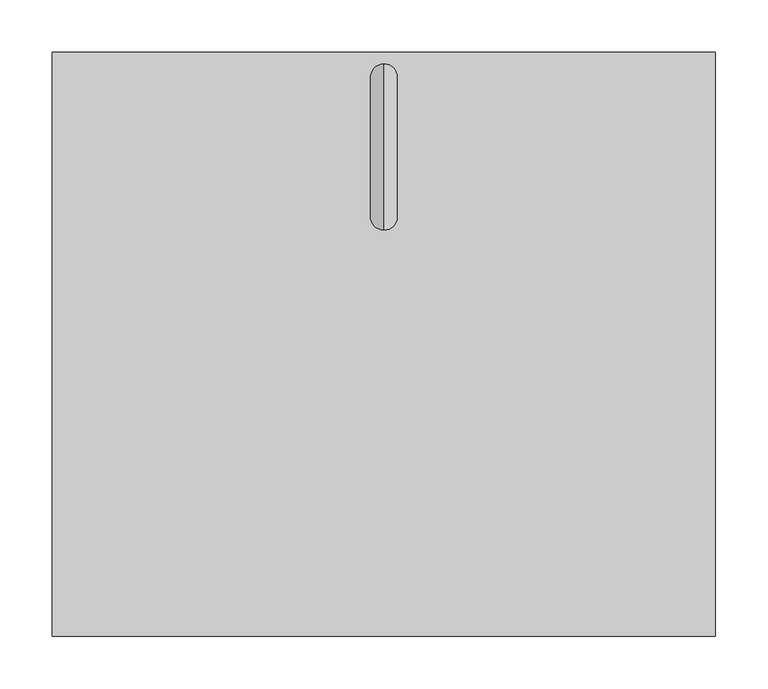
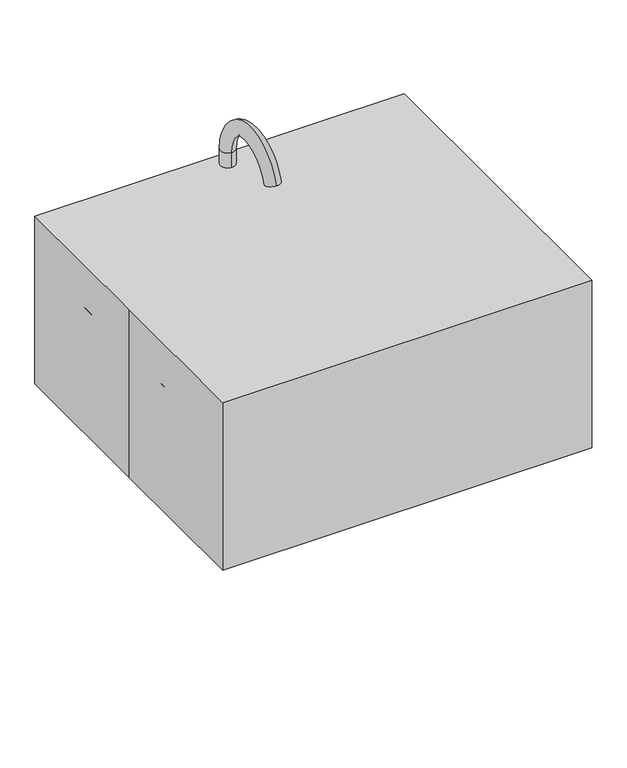
"""IFC4 building model written with IfcOpenShell, lengths in millimetres: proxy geometry."""

import ifcopenshell
import ifcopenshell.guid

model = None  # the IFC model being written
_history = None  # IfcOwnerHistory: only IFC2X3 demands one
_inside = {}  # id of a spatial element -> (the spatial element, [elements in it])
_under = {}  # id of a project, library or spatial element -> (it, [spatial elements below it])
_declared = {}  # id of a project -> (the project, [libraries it declares])
_typed = {}  # id of a type object -> (the type object, [elements of that type])
_made_of = {}  # id of a material, layer set ... -> (it, [elements and type objects made of it])


def new_model(schema):
    """Start an empty IFC model of exactly this schema.

    Asked for "IFC4X3", IfcOpenShell would pick the latest addendum, in which some entities
    have other attributes; the version numbers below select the first issue.
    IFC2X3 requires an IfcOwnerHistory on every rooted entity: one is made here for all.
    """
    global model, _history
    if schema == "IFC4X3":
        model = ifcopenshell.file(schema_version=(4, 3, 0, 0))
    else:
        model = ifcopenshell.file(schema=schema)
    _inside.clear()
    _under.clear()
    _declared.clear()
    _typed.clear()
    _made_of.clear()
    _history = None
    if model.schema == "IFC2X3":
        org = make("IfcOrganization", Name="unknown")
        user = make(
            "IfcPersonAndOrganization",
            ThePerson=make("IfcPerson", FamilyName="unknown"),
            TheOrganization=org,
        )
        app = make(
            "IfcApplication",
            ApplicationDeveloper=org,
            Version="unknown",
            ApplicationFullName="unknown",
            ApplicationIdentifier="unknown",
        )
        _history = make(
            "IfcOwnerHistory",
            OwningUser=user,
            OwningApplication=app,
            ChangeAction="ADDED",
            CreationDate=0,
        )
    return model


def make(cls, **values):
    """One entity of the class cls with the attributes given. An attribute that is None is left unset."""
    return model.create_entity(
        cls, **{name: value for name, value in values.items() if value is not None}
    )


def rooted(cls, **values):
    """An entity with a GlobalId (a new one), such as an element, a storey or a relation."""
    return make(cls, GlobalId=ifcopenshell.guid.new(), OwnerHistory=_history, **values)


def si_unit(unit_type, name, prefix=None):
    """IfcSIUnit, for example si_unit("LENGTHUNIT", "METRE", prefix="MILLI")."""
    return make("IfcSIUnit", UnitType=unit_type, Prefix=prefix, Name=name)


def assignment(units):
    """IfcUnitAssignment: the units of a project."""
    return None if units is None else make("IfcUnitAssignment", Units=units)


def point(xyz):
    """IfcCartesianPoint."""
    return None if xyz is None else make("IfcCartesianPoint", Coordinates=xyz)


def direction(xyz):
    """IfcDirection."""
    return None if xyz is None else make("IfcDirection", DirectionRatios=xyz)


def frame(location, z_axis=None, x_axis=None):
    """IfcAxis2Placement3D, a coordinate frame: its origin and axes. An axis left out is left unset."""
    return make(
        "IfcAxis2Placement3D",
        Location=point(location),
        Axis=direction(z_axis),
        RefDirection=direction(x_axis),
    )


def frame_2d(location, x_axis=None):
    """IfcAxis2Placement2D, a coordinate frame in the plane: its origin and x axis."""
    return make(
        "IfcAxis2Placement2D", Location=point(location), RefDirection=direction(x_axis)
    )


def origin():
    """The frame at (0, 0, 0) with its axes left unset."""
    return frame((0.0, 0.0, 0.0))


def origin_with_axes():
    """The frame at (0, 0, 0) with the z axis (0, 0, 1) and the x axis (1, 0, 0) written out."""
    return frame((0.0, 0.0, 0.0), z_axis=(0.0, 0.0, 1.0), x_axis=(1.0, 0.0, 0.0))


def place(relative_to, where):
    """IfcLocalPlacement: puts the frame where relative to a parent placement (None: the world)."""
    return make(
        "IfcLocalPlacement", PlacementRelTo=relative_to, RelativePlacement=where
    )


def context(
    kind, dimensions, precision=None, world=None, true_north=None, identifier=None
):
    """IfcGeometricRepresentationContext, for example the 3D "Model" context."""
    return make(
        "IfcGeometricRepresentationContext",
        ContextIdentifier=identifier,
        ContextType=kind,
        CoordinateSpaceDimension=dimensions,
        Precision=precision,
        WorldCoordinateSystem=world,
        TrueNorth=true_north,
    )


def project(units=None, contexts=None):
    """IfcProject with its units and contexts."""
    return rooted(
        "IfcProject",
        Name="project",
        RepresentationContexts=contexts,
        UnitsInContext=assignment(units),
    )


def spatial(cls, under=None, at=None, **own):
    """A site, building, storey or space (cls), placed at a placement, below another one or the project."""
    s = rooted(cls, ObjectPlacement=at, **own)
    if under is not None:
        _under.setdefault(under.id(), (under, []))[1].append(s)
    return s


def polyline(points):
    """IfcPolyline through the points."""
    return make("IfcPolyline", Points=[point(p) for p in points])


def circle_curve(where, radius):
    """IfcCircle in the frame where."""
    return make("IfcCircle", Position=where, Radius=radius)


def ellipse_curve(where, semi_axis1, semi_axis2):
    """IfcEllipse in the frame where."""
    return make(
        "IfcEllipse", Position=where, SemiAxis1=semi_axis1, SemiAxis2=semi_axis2
    )


def trimmed(basis, trim1, trim2, sense, master):
    """IfcTrimmedCurve: the piece of a basis curve between two trims."""
    return make(
        "IfcTrimmedCurve",
        BasisCurve=basis,
        Trim1=trim1,
        Trim2=trim2,
        SenseAgreement=sense,
        MasterRepresentation=master,
    )


def segment(curve, same_sense, transition):
    """IfcCompositeCurveSegment."""
    return make(
        "IfcCompositeCurveSegment",
        Transition=transition,
        SameSense=same_sense,
        ParentCurve=curve,
    )


def composite_curve(segments, self_intersect=None):
    """IfcCompositeCurve: segments joined end to end."""
    return make("IfcCompositeCurve", Segments=segments, SelfIntersect=self_intersect)


def outline(outer, holes=None, kind="AREA"):
    """IfcArbitraryClosedProfileDef: a profile drawn as a closed curve; with holes, ...WithVoids."""
    if holes is None:
        return make("IfcArbitraryClosedProfileDef", ProfileType=kind, OuterCurve=outer)
    return make(
        "IfcArbitraryProfileDefWithVoids",
        ProfileType=kind,
        OuterCurve=outer,
        InnerCurves=holes,
    )


def extrude(swept, where, along, depth):
    """IfcExtrudedAreaSolid: the profile swept, set in the frame where, extruded along a direction by depth."""
    return make(
        "IfcExtrudedAreaSolid",
        SweptArea=swept,
        Position=where,
        ExtrudedDirection=direction(along),
        Depth=depth,
    )


def shape(context_of_items, identifier, shape_type, items):
    """IfcShapeRepresentation: the items that make up one representation, for example the "Body"."""
    return make(
        "IfcShapeRepresentation",
        ContextOfItems=context_of_items,
        RepresentationIdentifier=identifier,
        RepresentationType=shape_type,
        Items=items,
    )


def source(mapping_origin, context_of_items, identifier, shape_type, items):
    """IfcRepresentationMap: a shape defined once, which mapped items show again and again."""
    return make(
        "IfcRepresentationMap",
        MappingOrigin=mapping_origin,
        MappedRepresentation=shape(context_of_items, identifier, shape_type, items),
    )


def transform(
    local_origin,
    x_axis=None,
    y_axis=None,
    z_axis=None,
    scale=None,
    scale2=None,
    scale3=None,
    uniform=True,
):
    """IfcCartesianTransformationOperator3D, or its non-uniform kind. x_axis, y_axis, z_axis: its Axis1, 2, 3."""
    if uniform:
        return make(
            "IfcCartesianTransformationOperator3D",
            Axis1=direction(x_axis),
            Axis2=direction(y_axis),
            LocalOrigin=point(local_origin),
            Scale=scale,
            Axis3=direction(z_axis),
        )
    return make(
        "IfcCartesianTransformationOperator3DnonUniform",
        Axis1=direction(x_axis),
        Axis2=direction(y_axis),
        LocalOrigin=point(local_origin),
        Scale=scale,
        Axis3=direction(z_axis),
        Scale2=scale2,
        Scale3=scale3,
    )


def mapped(mapping_source, mapping_target):
    """IfcMappedItem: shows the shape of a source again, moved by a transform."""
    return make(
        "IfcMappedItem", MappingSource=mapping_source, MappingTarget=mapping_target
    )


def made_of(thing, what):
    """Note that an element or type object is made of a material, layer set ...; save() writes the relation."""
    if what is not None:
        _made_of.setdefault(what.id(), (what, []))[1].append(thing)
    return thing


def element(
    cls,
    number,
    at=None,
    inside=None,
    cuts=None,
    type_object=None,
    material=None,
    context=None,
    identifier="Body",
    shape_type=None,
    held_by="IfcProductDefinitionShape",
    body=None,
    shapes=None,
    **own,
):
    """One element of the class cls, such as IfcWall. Its Tag is "e" and its number.

    at: its placement. inside: the storey or other place that contains it. cuts: it is an
    opening in that element (IfcRelVoidsElement). A single representation is given by context,
    identifier, shape_type and body (its items); several are given by shapes. held_by: the class
    of the entity that holds the representations. save() writes the other relations.
    """
    e = rooted(cls, Tag="e%d" % number, ObjectPlacement=at, **own)
    if body is not None:
        shapes = [shape(context, identifier, shape_type, body)]
    if shapes is not None:
        e.Representation = make(held_by, Representations=shapes)
    if inside is not None:
        _inside.setdefault(inside.id(), (inside, []))[1].append(e)
    if cuts is not None:
        rooted(
            "IfcRelVoidsElement", RelatingBuildingElement=cuts, RelatedOpeningElement=e
        )
    if type_object is not None:
        _typed.setdefault(type_object.id(), (type_object, []))[1].append(e)
    return made_of(e, material)


def aggregate(whole, parts):
    """IfcRelAggregates: a whole, such as a stair, and the parts it consists of."""
    return rooted("IfcRelAggregates", RelatingObject=whole, RelatedObjects=parts)


def save(model, path):
    """Write the relations noted so far, then the file.

    IfcRelAggregates (storeys below a building ...), IfcRelContainedInSpatialStructure (elements
    in a storey), IfcRelDefinesByType, IfcRelAssociatesMaterial and IfcRelDeclares: one each for
    every whole, place, type object, material and project.
    """
    for whole, parts in _under.values():
        aggregate(whole, parts)
    for where, things in _inside.values():
        rooted(
            "IfcRelContainedInSpatialStructure",
            RelatedElements=things,
            RelatingStructure=where,
        )
    for kind, things in _typed.values():
        rooted("IfcRelDefinesByType", RelatedObjects=things, RelatingType=kind)
    for what, things in _made_of.values():
        rooted("IfcRelAssociatesMaterial", RelatedObjects=things, RelatingMaterial=what)
    for by, libraries in _declared.values():
        rooted("IfcRelDeclares", RelatingContext=by, RelatedDefinitions=libraries)
    model.write(path)


def plane_surface(at):
    """IfcPlane: the flat surface through the origin of the frame at, square to its z axis."""
    return make("IfcPlane", Position=at)


def cylinder_surface(at, radius):
    """IfcCylindricalSurface: all points at the distance radius from the z axis of the frame at."""
    return make("IfcCylindricalSurface", Position=at, Radius=radius)


def revolved_surface(curve, axis_point, axis_direction):
    """IfcSurfaceOfRevolution: the curve turned about the line through axis_point along axis_direction."""
    return make(
        "IfcSurfaceOfRevolution",
        SweptCurve=make("IfcArbitraryOpenProfileDef", ProfileType="CURVE", Curve=curve),
        AxisPosition=make("IfcAxis1Placement", Location=point(axis_point), Axis=direction(axis_direction)),
    )


def advanced_brep(points, edges, surfaces, faces):
    """IfcAdvancedBrep: a solid bounded by faces that lie on surfaces and meet in shared edges.

    An edge is (start, end): straight between two places in points (the first is 0);
    or (start, end, curve); or (start, end, curve, False) where it runs against its curve.
    A face is (place in surfaces, loops), or (place, loops, False) where it looks against
    its surface's normal. A loop lists edges by number (the first is 1), with a minus sign
    where the edge is run from its end to its start. The first loop is the outer one.
    """
    corners = [point(p) for p in points]
    vertices = [make("IfcVertexPoint", VertexGeometry=c) for c in corners]
    made = []
    for start, end, *more in edges:
        made.append(
            make(
                "IfcEdgeCurve",
                EdgeStart=vertices[start],
                EdgeEnd=vertices[end],
                EdgeGeometry=more[0] if more else make("IfcPolyline", Points=[corners[start], corners[end]]),
                SameSense=more[1] if len(more) > 1 else True,
            )
        )
    hull = []
    for where, loops, *sense in faces:
        bounds = []
        for j, loop in enumerate(loops):
            ring = [make("IfcOrientedEdge", EdgeElement=made[abs(k) - 1], Orientation=k > 0) for k in loop]
            bounds.append(
                make(
                    "IfcFaceOuterBound" if j == 0 else "IfcFaceBound",
                    Bound=make("IfcEdgeLoop", EdgeList=ring),
                    Orientation=True,
                )
            )
        hull.append(make("IfcAdvancedFace", Bounds=bounds, FaceSurface=surfaces[where], SameSense=sense[0] if sense else True))
    return make("IfcAdvancedBrep", Outer=make("IfcClosedShell", CfsFaces=hull))


def specialty_equipment_51cc2adb(model_context):
    return source(origin(), model_context, "Body", "SolidModel", [
        extrude(outline(composite_curve([segment(trimmed(circle_curve(frame_2d((214.5947066, 167.4153613)), 25.4), [point((214.5947066, 192.8153613))], [point((239.9947066, 167.4153613))], False, "CARTESIAN"), True, "CONTINUOUS"), segment(polyline([(239.9947066, 167.4153613), (239.9947066, -178.6596387)]), True, "CONTINUOUS"), segment(trimmed(circle_curve(frame_2d((214.5947066, -178.6596387)), 25.4), [point((239.9947066, -178.6596387))], [point((214.5947066, -204.0596387))], False, "CARTESIAN"), True, "CONTINUOUS"), segment(polyline([(214.5947066, -204.0596387), (-218.4680234, -204.0596387)]), True, "CONTINUOUS"), segment(trimmed(circle_curve(frame_2d((-218.4680234, -178.6596387)), 25.4), [point((-218.4680234, -204.0596387))], [point((-243.8680234, -178.6596387))], False, "CARTESIAN"), True, "CONTINUOUS"), segment(polyline([(-243.8680234, -178.6596387), (-243.8680234, 167.4153613)]), True, "CONTINUOUS"), segment(trimmed(circle_curve(frame_2d((-218.4680234, 167.4153613)), 25.4), [point((-243.8680234, 167.4153613))], [point((-218.4680234, 192.8153613))], False, "CARTESIAN"), True, "CONTINUOUS"), segment(polyline([(-218.4680234, 192.8153613), (214.5947066, 192.8153613)]), True, "CONTINUOUS")], self_intersect=False), holes=[composite_curve([segment(trimmed(circle_curve(frame_2d((-1.3052934, -0.8596387)), 25.4), [point((-26.7052934, -0.8596387))], [point((24.0947066, -0.8596387))], True, "CARTESIAN"), True, "CONTINUOUS"), segment(trimmed(circle_curve(frame_2d((-1.3052934, -0.8596387)), 25.4), [point((24.0947066, -0.8596387))], [point((-26.7052934, -0.8596387))], True, "CARTESIAN"), True, "CONTINUOUS")], self_intersect=False)]), origin_with_axes(), (0.0, 0.0, 1.0), 9.525),
        advanced_brep(
        [(-18.1788372, 75.1095985, -3.8711818), (19.9211628, 75.1095985, -3.8711818), (19.9211628, 75.1095985, -213.4211818), (-18.1788372, 75.1095985, -213.4211818), (-18.1788372, 138.6095985, -276.9211818), (19.9211628, 138.6095985, -276.9211818), (-18.1788372, 202.1095985, -213.4211818), (19.9211628, 202.1095985, -213.4211818), (-18.1788372, 265.6095985, -149.9211818), (19.9211628, 265.6095985, -149.9211818), (-18.1788372, 278.3095985, -149.9211818), (19.9211628, 278.3095985, -149.9211818)],
        [
            (0, 1, circle_curve(frame((0.8711628, 75.1095985, -3.8711818), z_axis=(0.0, 0.0, 1.0), x_axis=(1.0, 0.0, 0.0)), 19.05)),
            (1, 0, circle_curve(frame((0.8711628, 75.1095985, -3.8711818), z_axis=(0.0, 0.0, 1.0), x_axis=(1.0, 0.0, 0.0)), 19.05)),
            (1, 2),
            (2, 3, circle_curve(frame((0.8711628, 75.1095985, -213.4211818), z_axis=(0.0, 0.0, 1.0), x_axis=(1.0, 0.0, 0.0)), 19.05)),
            (3, 0),
            (3, 2, circle_curve(frame((0.8711628, 75.1095985, -213.4211818), z_axis=(0.0, 0.0, 1.0), x_axis=(1.0, 0.0, 0.0)), 19.05)),
            (4, 3, circle_curve(frame((-18.1788372, 138.6095985, -213.4211818), z_axis=(-1.0, 0.0, 0.0), x_axis=(0.0, -1.0, 0.0)), 63.5)),
            (2, 5, circle_curve(frame((19.9211628, 138.6095985, -213.4211818), z_axis=(1.0, 0.0, 0.0), x_axis=(0.0, -1.0, 0.0)), 63.5)),
            (5, 4, circle_curve(frame((0.8711628, 138.6095985, -276.9211818), z_axis=(0.0, -1.0, 0.0), x_axis=(1.0, 0.0, 0.0)), 19.05)),
            (4, 5, circle_curve(frame((0.8711628, 138.6095985, -276.9211818), z_axis=(0.0, -1.0, 0.0), x_axis=(1.0, 0.0, 0.0)), 19.05)),
            (6, 4, circle_curve(frame((-18.1788372, 138.6095985, -213.4211818), z_axis=(-1.0, 0.0, 0.0), x_axis=(0.0, 0.0, -1.0)), 63.5)),
            (5, 7, circle_curve(frame((19.9211628, 138.6095985, -213.4211818), z_axis=(1.0, 0.0, 0.0), x_axis=(0.0, 0.0, -1.0)), 63.5)),
            (7, 6, circle_curve(frame((0.8711628, 202.1095985, -213.4211818), z_axis=(0.0, 0.0, -1.0), x_axis=(1.0, 0.0, 0.0)), 19.05)),
            (6, 7, circle_curve(frame((0.8711628, 202.1095985, -213.4211818), z_axis=(0.0, 0.0, -1.0), x_axis=(1.0, 0.0, 0.0)), 19.05)),
            (8, 6, circle_curve(frame((-18.1788372, 265.6095985, -213.4211818), z_axis=(1.0, 0.0, 0.0), x_axis=(0.0, -1.0, 0.0)), 63.5)),
            (7, 9, circle_curve(frame((19.9211628, 265.6095985, -213.4211818), z_axis=(-1.0, 0.0, 0.0), x_axis=(0.0, -1.0, 0.0)), 63.5)),
            (9, 8, circle_curve(frame((0.8711628, 265.6095985, -149.9211818), z_axis=(0.0, -1.0, 0.0), x_axis=(1.0, 0.0, 0.0)), 19.05)),
            (8, 9, circle_curve(frame((0.8711628, 265.6095985, -149.9211818), z_axis=(0.0, -1.0, 0.0), x_axis=(1.0, 0.0, 0.0)), 19.05)),
            (10, 11, circle_curve(frame((0.8711628, 278.3095985, -149.9211818), z_axis=(0.0, 1.0, 0.0), x_axis=(1.0, 0.0, 0.0)), 19.05)),
            (11, 10, circle_curve(frame((0.8711628, 278.3095985, -149.9211818), z_axis=(0.0, 1.0, 0.0), x_axis=(1.0, 0.0, 0.0)), 19.05)),
            (9, 11),
            (10, 8),
        ],
        [
            plane_surface(frame((0.8711628, 75.1095985, -3.8711818), z_axis=(0.0, 0.0, 1.0), x_axis=(1.0, 0.0, 0.0))),
            cylinder_surface(frame((0.8711628, 75.1095985, -3.8711818), z_axis=(0.0, 0.0, 1.0), x_axis=(1.0, 0.0, 0.0)), 19.05),
            revolved_surface(trimmed(ellipse_curve(frame((0.8711628, 75.1095985, -213.4211818), z_axis=(0.0, 0.0, 1.0), x_axis=(1.0, 0.0, 0.0)), 19.05, 19.05), [point((19.9211628, 75.1095985, -213.4211818))], [point((-18.1788372, 75.1095985, -213.4211818))], True, "CARTESIAN"), (0.8711628, 138.6095985, -213.4211818), (1.0, 0.0, 0.0)),
            revolved_surface(trimmed(ellipse_curve(frame((0.8711628, 75.1095985, -213.4211818), z_axis=(0.0, 0.0, 1.0), x_axis=(1.0, 0.0, 0.0)), 19.05, 19.05), [point((-18.1788372, 75.1095985, -213.4211818))], [point((19.9211628, 75.1095985, -213.4211818))], True, "CARTESIAN"), (0.8711628, 138.6095985, -213.4211818), (1.0, 0.0, 0.0)),
            revolved_surface(trimmed(ellipse_curve(frame((0.8711628, 138.6095985, -276.9211818), z_axis=(0.0, -1.0, 0.0), x_axis=(1.0, 0.0, 0.0)), 19.05, 19.05), [point((19.9211628, 138.6095985, -276.9211818))], [point((-18.1788372, 138.6095985, -276.9211818))], True, "CARTESIAN"), (0.8711628, 138.6095985, -213.4211818), (1.0, 0.0, 0.0)),
            revolved_surface(trimmed(ellipse_curve(frame((0.8711628, 138.6095985, -276.9211818), z_axis=(0.0, -1.0, 0.0), x_axis=(1.0, 0.0, 0.0)), 19.05, 19.05), [point((-18.1788372, 138.6095985, -276.9211818))], [point((19.9211628, 138.6095985, -276.9211818))], True, "CARTESIAN"), (0.8711628, 138.6095985, -213.4211818), (1.0, 0.0, 0.0)),
            revolved_surface(trimmed(ellipse_curve(frame((0.8711628, 202.1095985, -213.4211818), z_axis=(0.0, 0.0, -1.0), x_axis=(1.0, 0.0, 0.0)), 19.05, 19.05), [point((19.9211628, 202.1095985, -213.4211818))], [point((-18.1788372, 202.1095985, -213.4211818))], True, "CARTESIAN"), (0.8711628, 265.6095985, -213.4211818), (-1.0, 0.0, 0.0)),
            revolved_surface(trimmed(ellipse_curve(frame((0.8711628, 202.1095985, -213.4211818), z_axis=(0.0, 0.0, -1.0), x_axis=(1.0, 0.0, 0.0)), 19.05, 19.05), [point((-18.1788372, 202.1095985, -213.4211818))], [point((19.9211628, 202.1095985, -213.4211818))], True, "CARTESIAN"), (0.8711628, 265.6095985, -213.4211818), (-1.0, 0.0, 0.0)),
            plane_surface(frame((0.8711628, 278.3095985, -149.9211818), z_axis=(0.0, 1.0, 0.0), x_axis=(1.0, 0.0, 0.0))),
            cylinder_surface(frame((0.8711628, 265.6095985, -149.9211818), z_axis=(0.0, -1.0, 0.0), x_axis=(1.0, 0.0, 0.0)), 19.05),
        ],
        [
            (0, [[1, 2]]),
            (1, [[-2, 3, 4, 5]]),
            (1, [[-1, -5, 6, -3]]),
            (2, [[7, -4, 8, 9]]),
            (3, [[-8, -6, -7, 10]]),
            (4, [[11, -9, 12, 13]]),
            (5, [[-12, -10, -11, 14]]),
            (6, [[15, -13, 16, 17]]),
            (7, [[-16, -14, -15, 18]]),
            (8, [[19, 20]]),
            (9, [[-17, 21, -19, 22]]),
            (9, [[-18, -22, -20, -21]]),
        ],
    ),
        advanced_brep(
        [(0.1503183, 268.2393566, 229.6648596), (0.1503183, 242.8393566, 229.6648596), (0.1503183, 268.2393566, 331.2648596), (0.1503183, 242.8393566, 331.2648596), (0.1503183, 109.3101397, 352.188288), (0.1503183, 133.8446557, 345.6142842)],
        [
            (0, 1, circle_curve(frame((0.1503183, 255.5393566, 229.6648596), z_axis=(0.0, 0.0, -1.0), x_axis=(0.0, 1.0, 0.0)), 12.7)),
            (1, 0, circle_curve(frame((0.1503183, 255.5393566, 229.6648596), z_axis=(0.0, 0.0, -1.0), x_axis=(0.0, 1.0, 0.0)), 12.7)),
            (0, 2),
            (2, 3, circle_curve(frame((0.1503183, 255.5393566, 331.2648596), z_axis=(0.0, 0.0, -1.0), x_axis=(0.0, 1.0, 0.0)), 12.7)),
            (3, 1),
            (3, 2, circle_curve(frame((0.1503183, 255.5393566, 331.2648596), z_axis=(0.0, 0.0, -1.0), x_axis=(0.0, 1.0, 0.0)), 12.7)),
            (4, 5, circle_curve(frame((0.1503183, 121.5773977, 348.9012861), z_axis=(0.0, -0.25881904510251696, -0.9659258262890693), x_axis=(0.0, -0.9659258262890693, 0.25881904510251696)), 12.7)),
            (5, 4, circle_curve(frame((0.1503183, 121.5773977, 348.9012861), z_axis=(0.0, -0.25881904510251696, -0.9659258262890693), x_axis=(0.0, -0.9659258262890693, 0.25881904510251696)), 12.7)),
            (5, 3, circle_curve(frame((0.1503183, 187.3974374, 331.2648596), z_axis=(-1.0, 0.0, 0.0), x_axis=(0.0, 1.0, 0.0)), 55.4419193)),
            (2, 4, circle_curve(frame((0.1503183, 187.3974374, 331.2648596), z_axis=(1.0, 0.0, 0.0), x_axis=(0.0, 1.0, 0.0)), 80.8419193)),
        ],
        [
            plane_surface(frame((0.1503183, 242.8393566, 229.6648596), z_axis=(0.0, 0.0, -1.0), x_axis=(1.0, 0.0, 0.0))),
            cylinder_surface(frame((0.1503183, 255.5393566, 229.6648596), z_axis=(0.0, 0.0, -1.0), x_axis=(0.0, 1.0, 0.0)), 12.7),
            plane_surface(frame((0.1503183, 187.3974374, 331.2648596), z_axis=(0.0, -0.25881904510251696, -0.9659258262890693), x_axis=(0.0, -0.9659258262890693, 0.25881904510251696))),
            revolved_surface(trimmed(ellipse_curve(frame((0.1503183, 255.5393566, 331.2648596), z_axis=(0.0, 0.0, -1.0), x_axis=(0.0, 1.0, 0.0)), 12.7, 12.7), [point((0.1503183, 268.2393566, 331.2648596))], [point((0.1503183, 242.8393566, 331.2648596))], True, "CARTESIAN"), (0.1503183, 187.3974374, 331.2648596), (1.0, 0.0, 0.0)),
            revolved_surface(trimmed(ellipse_curve(frame((0.1503183, 255.5393566, 331.2648596), z_axis=(0.0, 0.0, -1.0), x_axis=(0.0, 1.0, 0.0)), 12.7, 12.7), [point((0.1503183, 242.8393566, 331.2648596))], [point((0.1503183, 268.2393566, 331.2648596))], True, "CARTESIAN"), (0.1503183, 187.3974374, 331.2648596), (1.0, 0.0, 0.0)),
        ],
        [
            (0, [[1, 2]]),
            (1, [[-1, 3, 4, 5]]),
            (1, [[-2, -5, 6, -3]]),
            (2, [[7, 8]]),
            (3, [[9, -4, 10, -8]]),
            (4, [[-10, -6, -9, -7]]),
        ],
    ),
        extrude(outline(polyline([(-317.5, 279.4), (317.5, 279.4), (317.5, -279.4), (-317.5, -279.4), (-317.5, 0.0), (-317.5, 279.4)])), origin_with_axes(), (0.0, 0.0, 1.0), 304.8),
        extrude(outline(composite_curve([segment(trimmed(circle_curve(frame_2d((-1e-07, 255.5875)), 12.7), [point((-12.7000001, 255.5875))], [point((12.6999999, 255.5875))], False, "CARTESIAN"), True, "CONTINUOUS"), segment(trimmed(circle_curve(frame_2d((-1e-07, 255.5875)), 12.7), [point((12.6999999, 255.5875))], [point((-12.7000001, 255.5875))], False, "CARTESIAN"), True, "CONTINUOUS")], self_intersect=False), holes=[composite_curve([segment(trimmed(circle_curve(frame_2d((-1e-07, 255.5875)), 9.525), [point((-9.5250001, 255.5875))], [point((9.5249999, 255.5875))], True, "CARTESIAN"), True, "CONTINUOUS"), segment(trimmed(circle_curve(frame_2d((-1e-07, 255.5875)), 9.525), [point((9.5249999, 255.5875))], [point((-9.5250001, 255.5875))], True, "CARTESIAN"), True, "CONTINUOUS")], self_intersect=False)]), frame((0.0, 0.0, 241.3), z_axis=(0.0, 0.0, 1.0), x_axis=(1.0, 0.0, 0.0)), (0.0, 0.0, 1.0), 12.7),
        advanced_brep(
        [(-217.16273, 237.1923666, -1.5149159), (-217.16273, 237.1923666, 214.3850841), (214.6372701, 237.1923666, 214.3850841), (214.6372701, 237.1923666, -1.5149159), (-217.16273, 192.7423666, -1.5149159), (214.6372701, 192.7423666, -1.5149159), (-217.16273, 192.7423666, 8.0100841), (214.6372701, 192.7423666, 8.0100841), (-217.16273, 195.3307848, 8.0100841), (214.6372701, 195.3307848, 8.0100841), (-217.16273, 214.3082938, 25.3997672), (214.6372701, 214.3082938, 25.3997672), (-217.16273, 230.8423666, 214.3850841), (214.6372701, 230.8423666, 214.3850841), (284.4872701, 167.3423666, -1.5149159), (284.4872701, 167.3423666, 214.3850841), (240.0372701, 167.3423666, -1.5149159), (240.0372701, 167.3423666, 8.0100841), (242.6256883, 167.3423666, 8.0100841), (261.6031973, 167.3423666, 25.3997672), (278.1372701, 167.3423666, 214.3850841), (284.4872701, -178.7326334, 214.3850841), (284.4872701, -178.7326334, -1.5149159), (240.0372701, -178.7326334, -1.5149159), (240.0372701, -178.7326334, 8.0100841), (242.6256883, -178.7326334, 8.0100841), (261.6031973, -178.7326334, 25.3997672), (278.1372701, -178.7326334, 214.3850841), (214.6372701, -248.5826334, -1.5149159), (214.6372701, -248.5826334, 214.3850841), (214.6372701, -204.1326334, -1.5149159), (214.6372701, -204.1326334, 8.0100841), (214.6372701, -206.7210516, 8.0100841), (214.6372701, -225.6985606, 25.3997672), (214.6372701, -242.2326334, 214.3850841), (-217.16273, -248.5826334, 214.3850841), (-217.16273, -248.5826334, -1.5149159), (-217.16273, -204.1326334, -1.5149159), (-217.16273, -204.1326334, 8.0100841), (-217.16273, -206.7210516, 8.0100841), (-217.16273, -225.6985606, 25.3997672), (-217.16273, -242.2326334, 214.3850841), (-287.01273, -178.7326334, -1.5149159), (-287.01273, -178.7326334, 214.3850841), (-242.56273, -178.7326334, -1.5149159), (-242.56273, -178.7326334, 8.0100841), (-245.1511482, -178.7326334, 8.0100841), (-264.1286572, -178.7326334, 25.3997672), (-280.66273, -178.7326334, 214.3850841), (-287.01273, 167.3423666, 214.3850841), (-287.01273, 167.3423666, -1.5149159), (-242.56273, 167.3423666, -1.5149159), (-242.56273, 167.3423666, 8.0100841), (-245.1511482, 167.3423666, 8.0100841), (-264.1286572, 167.3423666, 25.3997672), (-280.66273, 167.3423666, 214.3850841)],
        [
            (0, 1),
            (1, 2),
            (2, 3),
            (3, 0),
            (4, 0),
            (3, 5),
            (5, 4),
            (6, 4),
            (5, 7),
            (7, 6),
            (8, 6),
            (7, 9),
            (9, 8),
            (10, 8, circle_curve(frame((-217.16273, 195.3307848, 27.0600841), z_axis=(-1.0, 0.0, 0.0), x_axis=(0.0, 1.0, 0.0)), 19.05)),
            (9, 11, circle_curve(frame((214.6372701, 195.3307848, 27.0600841), z_axis=(1.0, 0.0, 0.0), x_axis=(0.0, 1.0, 0.0)), 19.05)),
            (11, 10),
            (12, 10),
            (11, 13),
            (13, 12),
            (1, 12),
            (13, 2),
            (14, 3, circle_curve(frame((214.6372701, 167.3423666, -1.5149159), z_axis=(0.0, 0.0, 1.0), x_axis=(0.0, 1.0, 0.0)), 69.85)),
            (2, 15, circle_curve(frame((214.6372701, 167.3423666, 214.3850841), z_axis=(0.0, 0.0, -1.0), x_axis=(0.0, 1.0, 0.0)), 69.85)),
            (15, 14),
            (16, 5, circle_curve(frame((214.6372701, 167.3423666, -1.5149159), z_axis=(0.0, 0.0, 1.0), x_axis=(0.0, 1.0, 0.0)), 25.4)),
            (14, 16),
            (17, 7, circle_curve(frame((214.6372701, 167.3423666, 8.0100841), z_axis=(0.0, 0.0, 1.0), x_axis=(0.0, 1.0, 0.0)), 25.4)),
            (16, 17),
            (18, 9, circle_curve(frame((214.6372701, 167.3423666, 8.0100841), z_axis=(0.0, 0.0, 1.0), x_axis=(0.0, 1.0, 0.0)), 27.9884182)),
            (17, 18),
            (19, 11, circle_curve(frame((214.6372701, 167.3423666, 25.3997672), z_axis=(0.0, 0.0, 1.0), x_axis=(0.0, 1.0, 0.0)), 46.9659272)),
            (18, 19, circle_curve(frame((242.6256883, 167.3423666, 27.0600841), z_axis=(0.0, -1.0, 0.0), x_axis=(1.0, 0.0, 0.0)), 19.05)),
            (20, 13, circle_curve(frame((214.6372701, 167.3423666, 214.3850841), z_axis=(0.0, 0.0, 1.0), x_axis=(0.0, 1.0, 0.0)), 63.5)),
            (19, 20),
            (20, 15),
            (15, 21),
            (21, 22),
            (22, 14),
            (22, 23),
            (23, 16),
            (23, 24),
            (24, 17),
            (24, 25),
            (25, 18),
            (25, 26, circle_curve(frame((242.6256883, -178.7326334, 27.0600841), z_axis=(0.0, -1.0, 0.0), x_axis=(1.0, 0.0, 0.0)), 19.05)),
            (26, 19),
            (26, 27),
            (27, 20),
            (27, 21),
            (28, 22, circle_curve(frame((214.6372701, -178.7326334, -1.5149159), z_axis=(0.0, 0.0, 1.0), x_axis=(1.0, 0.0, 0.0)), 69.85)),
            (21, 29, circle_curve(frame((214.6372701, -178.7326334, 214.3850841), z_axis=(0.0, 0.0, -1.0), x_axis=(1.0, 0.0, 0.0)), 69.85)),
            (29, 28),
            (30, 23, circle_curve(frame((214.6372701, -178.7326334, -1.5149159), z_axis=(0.0, 0.0, 1.0), x_axis=(1.0, 0.0, 0.0)), 25.4)),
            (28, 30),
            (31, 24, circle_curve(frame((214.6372701, -178.7326334, 8.0100841), z_axis=(0.0, 0.0, 1.0), x_axis=(1.0, 0.0, 0.0)), 25.4)),
            (30, 31),
            (32, 25, circle_curve(frame((214.6372701, -178.7326334, 8.0100841), z_axis=(0.0, 0.0, 1.0), x_axis=(1.0, 0.0, 0.0)), 27.9884182)),
            (31, 32),
            (33, 26, circle_curve(frame((214.6372701, -178.7326334, 25.3997672), z_axis=(0.0, 0.0, 1.0), x_axis=(1.0, 0.0, 0.0)), 46.9659272)),
            (32, 33, circle_curve(frame((214.6372701, -206.7210516, 27.0600841), z_axis=(-1.0, 0.0, 0.0), x_axis=(0.0, -1.0, 0.0)), 19.05)),
            (34, 27, circle_curve(frame((214.6372701, -178.7326334, 214.3850841), z_axis=(0.0, 0.0, 1.0), x_axis=(1.0, 0.0, 0.0)), 63.5)),
            (33, 34),
            (34, 29),
            (29, 35),
            (35, 36),
            (36, 28),
            (36, 37),
            (37, 30),
            (37, 38),
            (38, 31),
            (38, 39),
            (39, 32),
            (39, 40, circle_curve(frame((-217.16273, -206.7210516, 27.0600841), z_axis=(-1.0, 0.0, 0.0), x_axis=(0.0, -1.0, 0.0)), 19.05)),
            (40, 33),
            (40, 41),
            (41, 34),
            (41, 35),
            (42, 36, circle_curve(frame((-217.16273, -178.7326334, -1.5149159), z_axis=(0.0, 0.0, 1.0), x_axis=(0.0, -1.0, 0.0)), 69.85)),
            (35, 43, circle_curve(frame((-217.16273, -178.7326334, 214.3850841), z_axis=(0.0, 0.0, -1.0), x_axis=(0.0, -1.0, 0.0)), 69.85)),
            (43, 42),
            (44, 37, circle_curve(frame((-217.16273, -178.7326334, -1.5149159), z_axis=(0.0, 0.0, 1.0), x_axis=(0.0, -1.0, 0.0)), 25.4)),
            (42, 44),
            (45, 38, circle_curve(frame((-217.16273, -178.7326334, 8.0100841), z_axis=(0.0, 0.0, 1.0), x_axis=(0.0, -1.0, 0.0)), 25.4)),
            (44, 45),
            (46, 39, circle_curve(frame((-217.16273, -178.7326334, 8.0100841), z_axis=(0.0, 0.0, 1.0), x_axis=(0.0, -1.0, 0.0)), 27.9884182)),
            (45, 46),
            (47, 40, circle_curve(frame((-217.16273, -178.7326334, 25.3997672), z_axis=(0.0, 0.0, 1.0), x_axis=(0.0, -1.0, 0.0)), 46.9659272)),
            (46, 47, circle_curve(frame((-245.1511482, -178.7326334, 27.0600841), z_axis=(0.0, 1.0, 0.0), x_axis=(-1.0, 0.0, 0.0)), 19.05)),
            (48, 41, circle_curve(frame((-217.16273, -178.7326334, 214.3850841), z_axis=(0.0, 0.0, 1.0), x_axis=(0.0, -1.0, 0.0)), 63.5)),
            (47, 48),
            (48, 43),
            (43, 49),
            (49, 50),
            (50, 42),
            (50, 51),
            (51, 44),
            (51, 52),
            (52, 45),
            (52, 53),
            (53, 46),
            (53, 54, circle_curve(frame((-245.1511482, 167.3423666, 27.0600841), z_axis=(0.0, 1.0, 0.0), x_axis=(-1.0, 0.0, 0.0)), 19.05)),
            (54, 47),
            (54, 55),
            (55, 48),
            (55, 49),
            (0, 50, circle_curve(frame((-217.16273, 167.3423666, -1.5149159), z_axis=(0.0, 0.0, 1.0), x_axis=(-1.0, 0.0, 0.0)), 69.85)),
            (49, 1, circle_curve(frame((-217.16273, 167.3423666, 214.3850841), z_axis=(0.0, 0.0, -1.0), x_axis=(-1.0, 0.0, 0.0)), 69.85)),
            (4, 51, circle_curve(frame((-217.16273, 167.3423666, -1.5149159), z_axis=(0.0, 0.0, 1.0), x_axis=(-1.0, 0.0, 0.0)), 25.4)),
            (6, 52, circle_curve(frame((-217.16273, 167.3423666, 8.0100841), z_axis=(0.0, 0.0, 1.0), x_axis=(-1.0, 0.0, 0.0)), 25.4)),
            (8, 53, circle_curve(frame((-217.16273, 167.3423666, 8.0100841), z_axis=(0.0, 0.0, 1.0), x_axis=(-1.0, 0.0, 0.0)), 27.9884182)),
            (10, 54, circle_curve(frame((-217.16273, 167.3423666, 25.3997672), z_axis=(0.0, 0.0, 1.0), x_axis=(-1.0, 0.0, 0.0)), 46.9659272)),
            (12, 55, circle_curve(frame((-217.16273, 167.3423666, 214.3850841), z_axis=(0.0, 0.0, 1.0), x_axis=(-1.0, 0.0, 0.0)), 63.5)),
        ],
        [
            plane_surface(frame((-217.16273, 237.1923666, 214.3850841), z_axis=(0.0, 1.0, 0.0), x_axis=(1.0, 0.0, 0.0))),
            plane_surface(frame((-217.16273, 237.1923666, -1.5149159), z_axis=(0.0, 0.0, -1.0), x_axis=(1.0, 0.0, 0.0))),
            plane_surface(frame((-217.16273, 192.7423666, -1.5149159), z_axis=(0.0, -1.0, 0.0), x_axis=(1.0, 0.0, 0.0))),
            plane_surface(frame((-217.16273, 192.7423666, 8.0100841), z_axis=(0.0, 0.0, 1.0), x_axis=(1.0, 0.0, 0.0))),
            revolved_surface(polyline([(214.63727010000002, 214.38078480000001, 27.0600841), (-217.16273, 214.38078480000001, 27.0600841)]), (-217.16273, 195.3307848, 27.0600841), (1.0, 0.0, 0.0)),
            plane_surface(frame((-217.16273, 214.3082938, 25.3997672), z_axis=(0.0, -0.9961946980917363, 0.08715574274776339), x_axis=(1.0, 0.0, 0.0))),
            plane_surface(frame((-217.16273, 230.8423666, 214.3850841), z_axis=(0.0, 0.0, 1.0), x_axis=(1.0, 0.0, 0.0))),
            cylinder_surface(frame((214.6372701, 167.3423666, -649.2149159), z_axis=(0.0, 0.0, -1.0), x_axis=(0.0, 1.0, 0.0)), 69.85),
            plane_surface(frame((214.6372701, 167.3423666, -1.5149159), z_axis=(0.0, 0.0, -1.0), x_axis=(0.0, 1.0, 0.0))),
            revolved_surface(polyline([(214.6372701, 192.7423666, -1.5149159000000054), (214.6372701, 192.7423666, 8.010084099999972)]), (214.6372701, 167.3423666, -649.2149159), (0.0, 0.0, -1.0)),
            plane_surface(frame((214.6372701, 167.3423666, 8.0100841), z_axis=(0.0, 0.0, 1.0), x_axis=(0.0, 1.0, 0.0))),
            revolved_surface(trimmed(ellipse_curve(frame((214.6372701, 195.3307848, 27.0600841), z_axis=(1.0, 0.0, 0.0), x_axis=(0.0, 1.0, 0.0)), 19.05, 19.05), [point((214.6372701, 195.3307848, 8.0100841))], [point((214.6372701, 214.3082938, 25.3997672))], True, "CARTESIAN"), (214.6372701, 167.3423666, -649.2149159), (0.0, 0.0, -1.0)),
            revolved_surface(polyline([(214.6372701, 214.3082938, 25.3997672), (214.6372701, 230.8423666, 214.3850841)]), (214.6372701, 167.3423666, -649.2149159), (0.0, 0.0, -1.0)),
            plane_surface(frame((214.6372701, 167.3423666, 214.3850841), z_axis=(0.0, 0.0, 1.0), x_axis=(0.0, 1.0, 0.0))),
            plane_surface(frame((284.4872701, 167.3423666, 214.3850841), z_axis=(1.0, 0.0, 0.0), x_axis=(0.0, -1.0, 0.0))),
            plane_surface(frame((284.4872701, 167.3423666, -1.5149159), z_axis=(0.0, 0.0, -1.0), x_axis=(0.0, -1.0, 0.0))),
            plane_surface(frame((240.0372701, 167.3423666, -1.5149159), z_axis=(-1.0, 0.0, 0.0), x_axis=(0.0, -1.0, 0.0))),
            plane_surface(frame((240.0372701, 167.3423666, 8.0100841), z_axis=(0.0, 0.0, 1.0), x_axis=(0.0, -1.0, 0.0))),
            revolved_surface(polyline([(261.6756883, -178.7326334, 27.0600841), (261.6756883, 167.3423666, 27.0600841)]), (242.6256883, 167.3423666, 27.0600841), (0.0, -1.0, 0.0)),
            plane_surface(frame((261.6031973, 167.3423666, 25.3997672), z_axis=(-0.9961946980917363, 0.0, 0.08715574274776339), x_axis=(0.0, -1.0, 0.0))),
            plane_surface(frame((278.1372701, 167.3423666, 214.3850841), z_axis=(0.0, 0.0, 1.0), x_axis=(0.0, -1.0, 0.0))),
            cylinder_surface(frame((214.6372701, -178.7326334, -649.2149159), z_axis=(0.0, 0.0, -1.0), x_axis=(1.0, 0.0, 0.0)), 69.85),
            plane_surface(frame((214.6372701, -178.7326334, -1.5149159), z_axis=(0.0, 0.0, -1.0), x_axis=(1.0, 0.0, 0.0))),
            revolved_surface(polyline([(240.0372701, -178.7326334, -1.5149159000000054), (240.0372701, -178.7326334, 8.010084099999972)]), (214.6372701, -178.7326334, -649.2149159), (0.0, 0.0, -1.0)),
            plane_surface(frame((214.6372701, -178.7326334, 8.0100841), z_axis=(0.0, 0.0, 1.0), x_axis=(1.0, 0.0, 0.0))),
            revolved_surface(trimmed(ellipse_curve(frame((242.6256883, -178.7326334, 27.0600841), z_axis=(0.0, -1.0, 0.0), x_axis=(1.0, 0.0, 0.0)), 19.05, 19.05), [point((242.6256883, -178.7326334, 8.0100841))], [point((261.6031973, -178.7326334, 25.3997672))], True, "CARTESIAN"), (214.6372701, -178.7326334, -649.2149159), (0.0, 0.0, -1.0)),
            revolved_surface(polyline([(261.6031973, -178.7326334, 25.3997672), (278.1372701, -178.7326334, 214.3850841)]), (214.6372701, -178.7326334, -649.2149159), (0.0, 0.0, -1.0)),
            plane_surface(frame((214.6372701, -178.7326334, 214.3850841), z_axis=(0.0, 0.0, 1.0), x_axis=(1.0, 0.0, 0.0))),
            plane_surface(frame((214.6372701, -248.5826334, 214.3850841), z_axis=(0.0, -1.0, 0.0), x_axis=(-1.0, 0.0, 0.0))),
            plane_surface(frame((214.6372701, -248.5826334, -1.5149159), z_axis=(0.0, 0.0, -1.0), x_axis=(-1.0, 0.0, 0.0))),
            plane_surface(frame((214.6372701, -204.1326334, -1.5149159), z_axis=(0.0, 1.0, 0.0), x_axis=(-1.0, 0.0, 0.0))),
            plane_surface(frame((214.6372701, -204.1326334, 8.0100841), z_axis=(0.0, 0.0, 1.0), x_axis=(-1.0, 0.0, 0.0))),
            revolved_surface(polyline([(-217.16273000000004, -225.77105160000002, 27.0600841), (214.6372701, -225.77105160000002, 27.0600841)]), (214.6372701, -206.7210516, 27.0600841), (-1.0, 0.0, 0.0)),
            plane_surface(frame((214.6372701, -225.6985606, 25.3997672), z_axis=(0.0, 0.9961946980917363, 0.08715574274776339), x_axis=(-1.0, 0.0, 0.0))),
            plane_surface(frame((214.6372701, -242.2326334, 214.3850841), z_axis=(0.0, 0.0, 1.0), x_axis=(-1.0, 0.0, 0.0))),
            cylinder_surface(frame((-217.16273, -178.7326334, -649.2149159), z_axis=(0.0, 0.0, -1.0), x_axis=(0.0, -1.0, 0.0)), 69.85),
            plane_surface(frame((-217.16273, -178.7326334, -1.5149159), z_axis=(0.0, 0.0, -1.0), x_axis=(0.0, -1.0, 0.0))),
            revolved_surface(polyline([(-217.16273, -204.1326334, -1.5149159000000054), (-217.16273, -204.1326334, 8.010084099999972)]), (-217.16273, -178.7326334, -649.2149159), (0.0, 0.0, -1.0)),
            plane_surface(frame((-217.16273, -178.7326334, 8.0100841), z_axis=(0.0, 0.0, 1.0), x_axis=(0.0, -1.0, 0.0))),
            revolved_surface(trimmed(ellipse_curve(frame((-217.16273, -206.7210516, 27.0600841), z_axis=(-1.0, 0.0, 0.0), x_axis=(0.0, -1.0, 0.0)), 19.05, 19.05), [point((-217.16273, -206.7210516, 8.0100841))], [point((-217.16273, -225.6985606, 25.3997672))], True, "CARTESIAN"), (-217.16273, -178.7326334, -649.2149159), (0.0, 0.0, -1.0)),
            revolved_surface(polyline([(-217.16273, -225.6985606, 25.3997672), (-217.16273, -242.2326334, 214.3850841)]), (-217.16273, -178.7326334, -649.2149159), (0.0, 0.0, -1.0)),
            plane_surface(frame((-217.16273, -178.7326334, 214.3850841), z_axis=(0.0, 0.0, 1.0), x_axis=(0.0, -1.0, 0.0))),
            plane_surface(frame((-287.01273, -178.7326334, 214.3850841), z_axis=(-1.0, 0.0, 0.0), x_axis=(0.0, 1.0, 0.0))),
            plane_surface(frame((-287.01273, -178.7326334, -1.5149159), z_axis=(0.0, 0.0, -1.0), x_axis=(0.0, 1.0, 0.0))),
            plane_surface(frame((-242.56273, -178.7326334, -1.5149159), z_axis=(1.0, 0.0, 0.0), x_axis=(0.0, 1.0, 0.0))),
            plane_surface(frame((-242.56273, -178.7326334, 8.0100841), z_axis=(0.0, 0.0, 1.0), x_axis=(0.0, 1.0, 0.0))),
            revolved_surface(polyline([(-264.2011482, 167.3423666, 27.0600841), (-264.2011482, -178.7326334, 27.0600841)]), (-245.1511482, -178.7326334, 27.0600841), (0.0, 1.0, 0.0)),
            plane_surface(frame((-264.1286572, -178.7326334, 25.3997672), z_axis=(0.9961946980917363, 0.0, 0.08715574274776339), x_axis=(0.0, 1.0, 0.0))),
            plane_surface(frame((-280.66273, -178.7326334, 214.3850841), z_axis=(0.0, 0.0, 1.0), x_axis=(0.0, 1.0, 0.0))),
            cylinder_surface(frame((-217.16273, 167.3423666, -649.2149159), z_axis=(0.0, 0.0, -1.0), x_axis=(-1.0, 0.0, 0.0)), 69.85),
            plane_surface(frame((-217.16273, 167.3423666, -1.5149159), z_axis=(0.0, 0.0, -1.0), x_axis=(-1.0, 0.0, 0.0))),
            revolved_surface(polyline([(-242.56273000000002, 167.3423666, -1.5149159000000054), (-242.56273000000002, 167.3423666, 8.010084099999972)]), (-217.16273, 167.3423666, -649.2149159), (0.0, 0.0, -1.0)),
            plane_surface(frame((-217.16273, 167.3423666, 8.0100841), z_axis=(0.0, 0.0, 1.0), x_axis=(-1.0, 0.0, 0.0))),
            revolved_surface(trimmed(ellipse_curve(frame((-245.1511482, 167.3423666, 27.0600841), z_axis=(0.0, 1.0, 0.0), x_axis=(-1.0, 0.0, 0.0)), 19.05, 19.05), [point((-245.1511482, 167.3423666, 8.0100841))], [point((-264.1286572, 167.3423666, 25.3997672))], True, "CARTESIAN"), (-217.16273, 167.3423666, -649.2149159), (0.0, 0.0, -1.0)),
            revolved_surface(polyline([(-264.1286572, 167.3423666, 25.3997672), (-280.66273, 167.3423666, 214.3850841)]), (-217.16273, 167.3423666, -649.2149159), (0.0, 0.0, -1.0)),
            plane_surface(frame((-217.16273, 167.3423666, 214.3850841), z_axis=(0.0, 0.0, 1.0), x_axis=(-1.0, 0.0, 0.0))),
        ],
        [
            (0, [[1, 2, 3, 4]]),
            (1, [[5, -4, 6, 7]]),
            (2, [[8, -7, 9, 10]]),
            (3, [[11, -10, 12, 13]]),
            (4, [[14, -13, 15, 16]]),
            (5, [[17, -16, 18, 19]]),
            (6, [[20, -19, 21, -2]]),
            (7, [[22, -3, 23, 24]]),
            (8, [[25, -6, -22, 26]]),
            (9, [[27, -9, -25, 28]]),
            (10, [[29, -12, -27, 30]]),
            (11, [[31, -15, -29, 32]]),
            (12, [[33, -18, -31, 34]]),
            (13, [[-23, -21, -33, 35]]),
            (14, [[-24, 36, 37, 38]]),
            (15, [[-26, -38, 39, 40]]),
            (16, [[-28, -40, 41, 42]]),
            (17, [[-30, -42, 43, 44]]),
            (18, [[-32, -44, 45, 46]]),
            (19, [[-34, -46, 47, 48]]),
            (20, [[-35, -48, 49, -36]]),
            (21, [[50, -37, 51, 52]]),
            (22, [[53, -39, -50, 54]]),
            (23, [[55, -41, -53, 56]]),
            (24, [[57, -43, -55, 58]]),
            (25, [[59, -45, -57, 60]]),
            (26, [[61, -47, -59, 62]]),
            (27, [[-51, -49, -61, 63]]),
            (28, [[-52, 64, 65, 66]]),
            (29, [[-54, -66, 67, 68]]),
            (30, [[-56, -68, 69, 70]]),
            (31, [[-58, -70, 71, 72]]),
            (32, [[-60, -72, 73, 74]]),
            (33, [[-62, -74, 75, 76]]),
            (34, [[-63, -76, 77, -64]]),
            (35, [[78, -65, 79, 80]]),
            (36, [[81, -67, -78, 82]]),
            (37, [[83, -69, -81, 84]]),
            (38, [[85, -71, -83, 86]]),
            (39, [[87, -73, -85, 88]]),
            (40, [[89, -75, -87, 90]]),
            (41, [[-79, -77, -89, 91]]),
            (42, [[-80, 92, 93, 94]]),
            (43, [[-82, -94, 95, 96]]),
            (44, [[-84, -96, 97, 98]]),
            (45, [[-86, -98, 99, 100]]),
            (46, [[-88, -100, 101, 102]]),
            (47, [[-90, -102, 103, 104]]),
            (48, [[-91, -104, 105, -92]]),
            (49, [[106, -93, 107, -1]]),
            (50, [[108, -95, -106, -5]]),
            (51, [[109, -97, -108, -8]]),
            (52, [[110, -99, -109, -11]]),
            (53, [[111, -101, -110, -14]]),
            (54, [[112, -103, -111, -17]]),
            (55, [[-107, -105, -112, -20]]),
        ],
    ),
        extrude(outline(composite_curve([segment(trimmed(circle_curve(frame_2d((-254.0, -215.9)), 63.5), [point((-254.0, -279.4))], [point((-317.5, -215.9))], False, "CARTESIAN"), True, "CONTINUOUS"), segment(polyline([(-317.5, -215.9), (-317.5, 215.9)]), True, "CONTINUOUS"), segment(trimmed(circle_curve(frame_2d((-254.0, 215.9)), 63.5), [point((-317.5, 215.9))], [point((-254.0, 279.4))], False, "CARTESIAN"), True, "CONTINUOUS"), segment(polyline([(-254.0, 279.4), (247.65, 279.4)]), True, "CONTINUOUS"), segment(trimmed(circle_curve(frame_2d((247.65, 215.9)), 63.5), [point((247.65, 279.4))], [point((311.15, 215.9))], False, "CARTESIAN"), True, "CONTINUOUS"), segment(polyline([(311.15, 215.9), (311.15, -215.9)]), True, "CONTINUOUS"), segment(trimmed(circle_curve(frame_2d((247.65, -215.9)), 63.5), [point((311.15, -215.9))], [point((247.65, -279.4))], False, "CARTESIAN"), True, "CONTINUOUS"), segment(polyline([(247.65, -279.4), (-254.0, -279.4)]), True, "CONTINUOUS")], self_intersect=False), holes=[composite_curve([segment(polyline([(209.55, 231.775), (-217.16273, 231.775)]), True, "CONTINUOUS"), segment(trimmed(circle_curve(frame_2d((-217.16273, 168.275)), 63.5), [point((-217.16273, 231.775))], [point((-280.66273, 168.275))], True, "CARTESIAN"), True, "CONTINUOUS"), segment(polyline([(-280.66273, 168.275), (-280.66273, -177.8)]), True, "CONTINUOUS"), segment(trimmed(circle_curve(frame_2d((-217.16273, -177.8)), 63.5), [point((-280.66273, -177.8))], [point((-217.16273, -241.3))], True, "CARTESIAN"), True, "CONTINUOUS"), segment(polyline([(-217.16273, -241.3), (209.55, -241.3)]), True, "CONTINUOUS"), segment(trimmed(circle_curve(frame_2d((209.55, -177.8)), 63.5), [point((209.55, -241.3))], [point((273.05, -177.8))], True, "CARTESIAN"), True, "CONTINUOUS"), segment(polyline([(273.05, -177.8), (273.05, 168.275)]), True, "CONTINUOUS"), segment(trimmed(circle_curve(frame_2d((209.55, 168.275)), 63.5), [point((273.05, 168.275))], [point((209.55, 231.775))], True, "CARTESIAN"), True, "CONTINUOUS")], self_intersect=False)]), frame((0.0, 0.0, 215.9), z_axis=(0.0, 0.0, 1.0), x_axis=(1.0, 0.0, 0.0)), (0.0, 0.0, 1.0), 12.7),
    ])


if __name__ == "__main__":
    model = new_model("IFC4")
    model_context = context("Model", 3, world=origin())
    ifc_project = project(units=[si_unit("LENGTHUNIT", "METRE", prefix="MILLI")], contexts=[model_context])
    site = spatial("IfcSite", under=ifc_project)
    building = spatial("IfcBuilding", under=site)
    placement = place(None, origin())
    specialty_equipment_shape = specialty_equipment_51cc2adb(model_context)
    element("IfcBuildingElementProxy", 1, Name="Specialty Equipment", at=placement, inside=building, context=model_context, shape_type="MappedRepresentation", body=[
        mapped(specialty_equipment_shape, transform((0.0, 0.0, 0.0), x_axis=(1.0, 0.0, 0.0), y_axis=(0.0, 1.0, 0.0), z_axis=(0.0, 0.0, 1.0))),
    ])
    save(model, "model.ifc")
